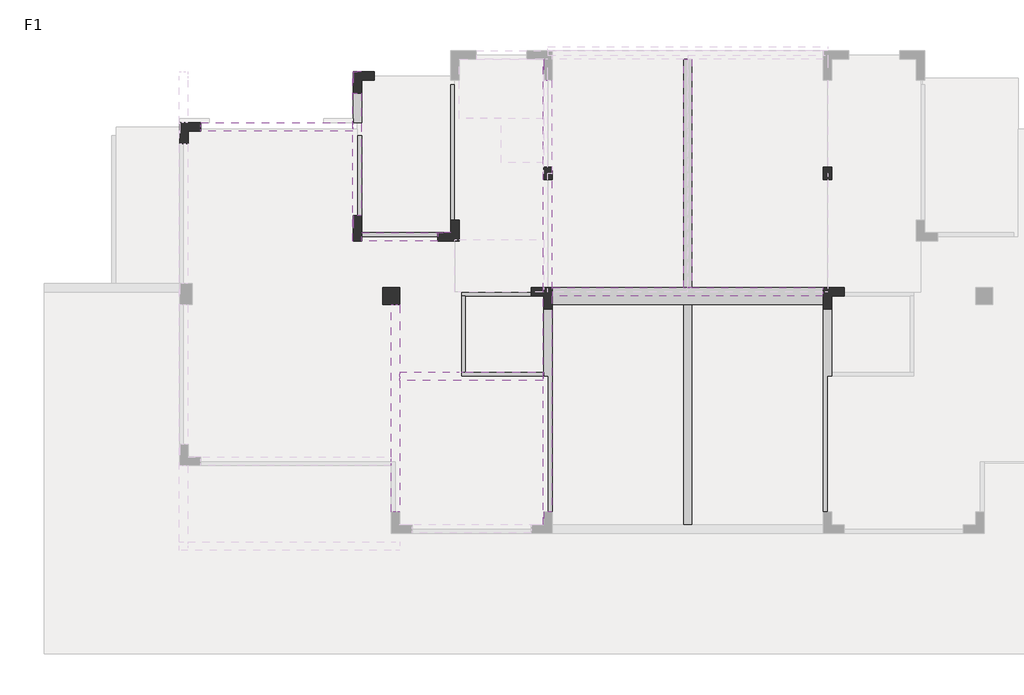
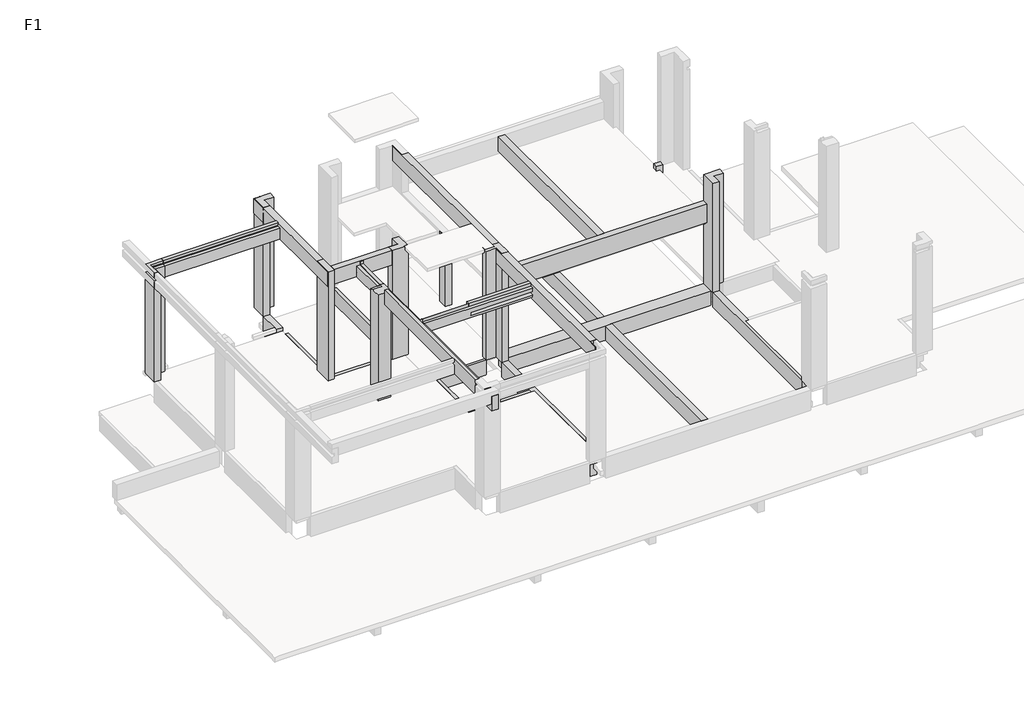
# One storey, part 3 of 4: 18 beams, 9 columns.
"""IFC4 building model written with IfcOpenShell, lengths in millimetres."""

from ifc_helpers import new_model, si_unit, frame, origin, place, context, project, spatial, polyline, outline, extrude, faceted_brep, element, save

model = new_model("IFC4")

# Units and contexts
model_context = context("Model", 3, world=origin())
ifc_project = project(units=[si_unit("LENGTHUNIT", "METRE", prefix="MILLI")], contexts=[model_context])

# Site, building, storey
site = spatial("IfcSite", under=ifc_project)
building = spatial("IfcBuilding", under=site)
storey = spatial("IfcBuildingStorey", under=building, Name="F1", Elevation=-40.0)

# Beams
placement = place(None, origin())
element("IfcBeam", 1, at=placement, inside=storey, context=model_context, shape_type="Brep", body=[
    faceted_brep([(-7367.9488808, 3551.1929483, -40.0), (-7567.9488808, 3551.1929483, -40.0), (-7567.9488808, 2051.187898, -40.0), (-7567.9488808, 1951.187898, -40.0), (-7467.9488808, 1951.187898, -40.0), (-7467.9488808, -1248.812102, -40.0), (-7367.9488808, -1248.812102, -40.0), (-7367.9488808, -1248.812102, -520.0), (-7367.9488808, 3551.1929483, -520.0), (-7567.9488808, 3551.1929483, -890.0), (-7367.9488808, 3551.1929483, -890.0), (-7367.9488808, -1248.812102, -890.0), (-7567.9488808, -1248.812102, -890.0), (-7567.9488808, -1248.812102, -190.0), (-7567.9488808, 1851.187898, -190.0), (-7567.9488808, 1951.187898, -190.0), (-7567.9488808, 3551.1929483, -520.0), (-7567.9488808, 2051.187898, -520.0), (-7567.9488808, 1951.187898, -520.0), (-7567.9488808, 1951.187898, -640.0), (-7567.9488808, 1951.187898, -670.0), (-7567.9488808, 3551.1929483, -670.0), (-7367.9488808, -1248.812102, -670.0), (-7468.0210684, -1248.812102, -670.0), (-7468.0210684, -1248.812102, -520.0), (-7467.9488808, -1248.812102, -190.0), (-7367.9488808, 3551.1929483, -670.0), (-7467.9488808, 1951.187898, -670.0), (-7468.0210684, 1951.187898, -520.0), (-7467.9488808, 1951.187898, -190.0)], [[[0, 1, 2, 3, 4, 5, 6]], [[0, 6, 7, 8]], [[9, 10, 11, 12]], [[9, 12, 13, 14, 15, 3, 2, 1, 16, 17, 18, 19, 20, 21]], [[1, 0, 8, 16]], [[12, 11, 22, 23, 24, 7, 6, 5, 25, 13]], [[22, 26, 21, 20, 27, 23]], [[8, 7, 24, 28, 18, 17, 16]], [[24, 23, 27, 28]], [[11, 10, 26, 22]], [[27, 20, 19, 18, 28]], [[10, 9, 21, 26]], [[25, 29, 15, 14, 13]], [[29, 4, 3, 15]], [[4, 29, 25, 5]]]),
])
element("IfcBeam", 2, at=placement, inside=storey, context=model_context, shape_type="Brep", body=[
    faceted_brep([(-9517.9507841, 3851.187898, -40.0), (-9417.9507841, 3851.187898, -40.0), (-7867.9118706, 3851.187898, -40.0), (-7867.9118706, 3951.187898, -40.0), (-9517.9507841, 3951.187898, -40.0), (-7867.9118706, 3851.187898, -520.0), (-9517.9507841, 3851.187898, -190.0), (-9617.9507841, 3851.187898, -190.0), (-10967.9488808, 3851.187898, -190.0), (-10967.9488808, 3851.187898, -640.0), (-9617.9507841, 3851.187898, -640.0), (-9517.9507841, 3851.187898, -640.0), (-9517.9507841, 3851.187898, -520.0), (-9417.9507841, 3851.187898, -520.0), (-10967.9488808, 4051.187898, -640.0), (-9767.9488808, 4051.187898, -640.0), (-9567.9488808, 4051.187898, -640.0), (-7867.9118706, 4051.187898, -640.0), (-7867.9118706, 3951.187898, -640.0), (-9517.9507841, 3951.187898, -640.0), (-10967.9488808, 4051.187898, -190.0), (-9767.9488808, 4051.187898, -190.0), (-9667.9488808, 4051.187898, -190.0), (-9667.9488808, 4051.187898, -140.0), (-9567.9488808, 4051.187898, -140.0), (-7867.9118706, 4051.187898, -140.0), (-7867.9118706, 3951.187898, -520.0), (-7867.9118706, 3951.187898, -140.0), (-9517.9507841, 3951.187898, -520.0), (-9517.9507841, 3951.187898, -140.0), (-9517.9507841, 3951.187898, -190.0), (-9667.9488808, 3951.187898, -190.0), (-9667.9488808, 3951.187898, -140.0)], [[[0, 1, 2, 3, 4]], [[5, 2, 1, 0, 6, 7, 8, 9, 10, 11, 12, 13]], [[9, 14, 15, 16, 17, 18, 19, 11, 10]], [[17, 16, 15, 14, 20, 21, 22, 23, 24, 25]], [[2, 5, 26, 18, 17, 25, 27, 3]], [[14, 9, 8, 20]], [[12, 28, 26, 5, 13]], [[28, 12, 11, 19]], [[26, 28, 19, 18]], [[6, 0, 4, 29, 30]], [[6, 30, 31, 22, 21, 20, 8, 7]], [[22, 31, 32, 23]], [[31, 30, 29, 32]], [[29, 27, 25, 24, 23, 32]], [[27, 29, 4, 3]]]),
])
element("IfcBeam", 3, at=placement, inside=storey, context=model_context, shape_type="Brep", body=[
    faceted_brep([(-7367.9118706, 4051.187898, -40.0), (-7367.9118706, 3801.1929483, -40.0), (-7367.9118706, 3651.187898, -40.0), (-4267.9488808, 3651.187898, -40.0), (-4067.9488808, 3651.187898, -40.0), (-967.985891, 3651.187898, -40.0), (-967.985891, 3801.1929483, -40.0), (-967.985891, 4051.187898, -40.0), (-4067.9488808, 4051.187898, -40.0), (-4267.9488808, 4051.187898, -40.0), (-7367.9118706, 3651.187898, -520.0), (-4267.9488808, 3651.187898, -520.0), (-4067.9488808, 3651.187898, -520.0), (-967.985891, 3651.187898, -520.0), (-967.985891, 4051.187898, -520.0), (-4067.9488808, 4051.187898, -520.0), (-4267.9488808, 4051.187898, -520.0), (-7367.9118706, 4051.187898, -520.0), (-967.985891, 3801.1929483, -520.0)], [[[0, 1, 2, 3, 4, 5, 6, 7, 8, 9]], [[5, 4, 3, 2, 10, 11, 12, 13]], [[0, 9, 8, 7, 14, 15, 16, 17]], [[2, 1, 0, 17, 10]], [[7, 6, 5, 13, 18, 14]], [[13, 12, 11, 10, 17, 16, 15, 14, 18]]]),
    faceted_brep([(-7367.9118706, 3651.187898, -740.0), (-7367.9118706, 4051.187898, -740.0), (-967.985891, 4051.187898, -740.0), (-967.985891, 3651.187898, -740.0), (-7367.9118706, 3651.187898, -670.0), (-967.985891, 3651.187898, -670.0), (-967.985891, 3801.1929483, -670.0), (-967.985891, 4051.187898, -670.0), (-7367.9118706, 4051.187898, -670.0)], [[[0, 1, 2, 3]], [[4, 5, 6, 7, 8]], [[0, 3, 5, 4]], [[2, 1, 8, 7]], [[1, 0, 4, 8]], [[3, 2, 7, 6, 5]]]),
])
element("IfcBeam", 4, at=placement, inside=storey, context=model_context, shape_type="Brep", body=[
    faceted_brep([(-11867.9488808, 8651.1979011, -40.0), (-12067.9488808, 8651.1979011, -40.0), (-12067.9488808, 8051.192951, -40.0), (-12067.9488808, 7951.192951, -40.0), (-11867.9488808, 7951.192951, -40.0), (-11867.9488808, 8651.1979011, -520.0), (-11867.9488808, 7951.192951, -520.0), (-12067.9488808, 8651.1979011, -640.0), (-11967.9488808, 8651.1979011, -640.0), (-11967.9488808, 7951.192951, -640.0), (-12067.9488808, 7951.192951, -640.0), (-12067.9488808, 7951.192951, -140.0), (-11967.9488808, 8651.1979011, -520.0), (-11967.9488808, 7951.192951, -520.0)], [[[0, 1, 2, 3, 4]], [[5, 0, 4, 6]], [[7, 8, 9, 10]], [[1, 7, 10, 11, 3, 2]], [[1, 0, 5, 12, 8, 7]], [[4, 3, 11, 10, 9, 13, 6]], [[12, 5, 6, 13]], [[8, 12, 13, 9]]]),
    faceted_brep([(-11867.9488808, 5751.187898, -520.0), (-11867.9488808, 5751.187898, -40.0), (-11967.9488808, 5751.187898, -40.0), (-11967.9488808, 5751.187898, -190.0), (-12067.9488808, 5751.187898, -190.0), (-12067.9488808, 5751.187898, -640.0), (-11967.9488808, 5751.187898, -640.0), (-11967.9488808, 5751.187898, -520.0), (-11967.9488808, 7651.192951, -520.0), (-11867.9488808, 7651.192951, -520.0), (-11967.9488808, 7651.192951, -640.0), (-11967.9488808, 7651.192951, -40.0), (-11967.9488808, 7651.192951, -190.0), (-12067.9488808, 7651.192951, -190.0), (-11867.9488808, 7651.192951, -40.0), (-12067.9488808, 7651.192951, -640.0)], [[[0, 1, 2, 3, 4, 5, 6, 7]], [[0, 7, 8, 9]], [[7, 6, 10, 8]], [[3, 2, 11, 12]], [[4, 3, 12, 13]], [[11, 14, 9, 8, 10, 15, 13, 12]], [[2, 1, 14, 11]], [[1, 0, 9, 14]], [[6, 5, 15, 10]], [[5, 4, 13, 15]]]),
])
element("IfcBeam", 5, at=placement, inside=storey, context=model_context, shape_type="Brep", body=[
    faceted_brep([(-10067.9488808, 5351.187898, -40.0), (-11867.9488808, 5351.187898, -40.0), (-11867.9488808, 5251.187898, -40.0), (-10067.9488808, 5251.187898, -40.0), (-11867.9488808, 5151.187898, -640.0), (-11167.9488808, 5151.187898, -640.0), (-10967.9488808, 5151.187898, -640.0), (-10067.9488808, 5151.187898, -640.0), (-10067.9488808, 5151.187898, -190.0), (-10967.9488808, 5151.187898, -190.0), (-11167.9488808, 5151.187898, -190.0), (-11867.9488808, 5151.187898, -190.0), (-11867.9488808, 5251.187898, -640.0), (-11167.9488808, 5251.187898, -640.0), (-10967.9488808, 5251.187898, -640.0), (-10067.9488808, 5251.187898, -640.0), (-10067.9488808, 5351.187898, -520.0), (-11867.9488808, 5351.187898, -520.0), (-11867.9488808, 5251.187898, -190.0), (-11867.9488808, 5251.187898, -520.0), (-10067.9488808, 5251.187898, -520.0), (-10067.9488808, 5251.187898, -190.0)], [[[0, 1, 2, 3]], [[4, 5, 6, 7, 8, 9, 10, 11]], [[7, 6, 5, 4, 12, 13, 14, 15]], [[1, 0, 16, 17]], [[12, 4, 11, 18, 2, 1, 17, 19]], [[7, 15, 20, 16, 0, 3, 21, 8]], [[20, 19, 17, 16]], [[19, 20, 15, 14, 13, 12]], [[18, 21, 3, 2]], [[21, 18, 11, 10, 9, 8]]]),
])
element("IfcBeam", 6, at=placement, inside=storey, context=model_context, shape_type="SweptSolid", body=[
    extrude(outline(polyline([(-640.0, -9767.9488808), (-640.0, -9567.9488808), (-140.0, -9567.9488808), (-140.0, -9667.9488808), (-190.0, -9667.9488808), (-190.0, -9767.9488808), (-640.0, -9767.9488808)])), frame((0.0, 4051.187898, 0.0), z_axis=(0.0, 1.0, 0.0), x_axis=(0.0, 0.0, 1.0)), (0.0, 0.0, 1.0), 1100.0),
    extrude(outline(polyline([(-40.0, -9767.9488808), (-520.0, -9767.9488808), (-520.0, -9667.9488808), (-640.0, -9667.9488808), (-640.0, -9567.9488808), (-140.0, -9567.9488808), (-140.0, -9667.9488808), (-40.0, -9667.9488808), (-40.0, -9767.9488808)])), frame((0.0, 5651.187898, 0.0), z_axis=(0.0, 1.0, 0.0), x_axis=(0.0, 0.0, 1.0)), (0.0, 0.0, 1.0), 3200.0100033),
])
element("IfcBeam", 7, at=placement, inside=storey, context=model_context, shape_type="Brep", body=[
    faceted_brep([(-7567.9488808, 1951.187898, -40.0), (-7567.9488808, 2051.187898, -40.0), (-9417.9507841, 2051.187898, -40.0), (-9517.9507841, 2051.187898, -40.0), (-9517.9507841, 1951.187898, -40.0), (-10967.9488808, 1851.187898, -640.0), (-7567.9488808, 1851.187898, -640.0), (-7567.9488808, 1851.187898, -190.0), (-10967.9488808, 1851.187898, -190.0), (-10967.9488808, 2051.187898, -640.0), (-9617.9507841, 2051.187898, -640.0), (-9517.9507841, 2051.187898, -640.0), (-9517.9507841, 1951.187898, -640.0), (-7567.9488808, 1951.187898, -640.0), (-7567.9488808, 2051.187898, -520.0), (-9417.9507841, 2051.187898, -520.0), (-9517.9507841, 2051.187898, -520.0), (-10967.9488808, 2051.187898, -190.0), (-9617.9507841, 2051.187898, -190.0), (-9517.9507841, 2051.187898, -190.0), (-7567.9488808, 1951.187898, -520.0), (-7567.9488808, 1951.187898, -190.0), (-9517.9507841, 1951.187898, -520.0), (-9517.9507841, 1951.187898, -190.0)], [[[0, 1, 2, 3, 4]], [[5, 6, 7, 8]], [[5, 9, 10, 11, 12, 13, 6]], [[1, 14, 15, 16, 11, 10, 9, 17, 18, 19, 3, 2]], [[9, 5, 8, 17]], [[6, 13, 20, 14, 1, 0, 21, 7]], [[20, 22, 16, 15, 14]], [[22, 20, 13, 12]], [[16, 22, 12, 11]], [[23, 4, 3, 19]], [[4, 23, 21, 0]], [[21, 23, 19, 18, 17, 8, 7]]]),
])
element("IfcBeam", 8, at=placement, inside=storey, context=model_context, shape_type="SweptSolid", body=[
    extrude(outline(polyline([(-520.0, -9417.9507841), (-40.0, -9417.9507841), (-40.0, -9517.9507841), (-190.0, -9517.9507841), (-190.0, -9617.9507841), (-640.0, -9617.9507841), (-640.0, -9517.9507841), (-520.0, -9517.9507841), (-520.0, -9417.9507841)])), frame((0.0, 2051.187898, 0.0), z_axis=(0.0, 1.0, 0.0), x_axis=(0.0, 0.0, 1.0)), (0.0, 0.0, 1.0), 1800.0),
])
element("IfcBeam", 9, at=placement, inside=storey, context=model_context, shape_type="SweptSolid", body=[
    extrude(outline(polyline([(-4067.9488808, 4051.187898), (-4267.9488808, 4051.187898), (-4267.9488808, 9451.1929646), (-4067.9488808, 9451.1929646), (-4067.9488808, 4051.187898)])), frame((0.0, 0.0, -520.0), z_axis=(0.0, 0.0, 1.0), x_axis=(1.0, 0.0, 0.0)), (0.0, 0.0, 1.0), 480.0),
    extrude(outline(polyline([(-4267.9488808, 3651.187898), (-4067.9488808, 3651.187898), (-4067.9488808, -1548.8070515), (-4267.9488808, -1548.8070515), (-4267.9488808, 3651.187898)])), frame((0.0, 0.0, -520.0), z_axis=(0.0, 0.0, 1.0), x_axis=(1.0, 0.0, 0.0)), (0.0, 0.0, 1.0), 480.0),
])
element("IfcBeam", 10, at=placement, inside=storey, context=model_context, shape_type="Brep", body=[
    faceted_brep([(-967.9488808, 3551.1929483, -40.0), (-967.9488808, -1248.812102, -40.0), (-868.0210684, -1248.812102, -40.0), (-868.0210684, 1951.187898, -40.0), (-767.9488808, 1951.187898, -40.0), (-767.9488808, 2051.187898, -40.0), (-767.9488808, 3551.1929483, -40.0), (-967.9488808, 3551.1929483, -520.0), (-967.9488808, -1248.812102, -520.0), (-767.9488808, -1248.812102, -890.0), (-967.9488808, -1248.812102, -890.0), (-967.9488808, 3551.1929483, -890.0), (-767.9488808, 3551.1929483, -890.0), (-767.9488808, 3551.1929483, -670.0), (-767.9488808, 1951.187898, -670.0), (-767.9488808, 1951.187898, -640.0), (-767.9488808, 1951.187898, -520.0), (-767.9488808, 2051.187898, -520.0), (-767.9488808, 3551.1929483, -520.0), (-767.9488808, 1951.187898, -190.0), (-767.9488808, 1851.187898, -190.0), (-767.9488808, -1248.812102, -190.0), (-868.0210684, -1248.812102, -190.0), (-867.9488808, -1248.812102, -520.0), (-867.9488808, -1248.812102, -670.0), (-967.9488808, -1248.812102, -670.0), (-967.9488808, 3551.1929483, -670.0), (-867.9488808, 1951.187898, -670.0), (-867.9488808, 1951.187898, -520.0), (-868.0210684, 1951.187898, -190.0)], [[[0, 1, 2, 3, 4, 5, 6]], [[1, 0, 7, 8]], [[9, 10, 11, 12]], [[9, 12, 13, 14, 15, 16, 17, 18, 6, 5, 4, 19, 20, 21]], [[10, 9, 21, 22, 2, 1, 8, 23, 24, 25]], [[0, 6, 18, 7]], [[26, 25, 24, 27, 14, 13]], [[8, 7, 18, 17, 16, 28, 23]], [[24, 23, 28, 27]], [[11, 10, 25, 26]], [[14, 27, 28, 16, 15]], [[12, 11, 26, 13]], [[19, 29, 22, 21, 20]], [[3, 29, 19, 4]], [[29, 3, 2, 22]]]),
])
element("IfcBeam", 11, at=placement, inside=storey, context=model_context, shape_type="Brep", body=[
    faceted_brep([(-7567.9488808, -1248.812102, 3560.0), (-7376.6077811, -1248.812102, 3560.0), (-7376.6077811, 8951.187898, 3560.0), (-7568.0210684, 8951.187898, 3560.0), (-7568.0210684, 9451.187898, 3560.0), (-7576.6077811, 9451.187898, 3560.0), (-7576.6077811, 5191.187898, 3560.0), (-7568.0210684, 5191.187898, 3560.0), (-7568.0210684, 3951.187898, 3560.0), (-7576.6077811, 3951.187898, 3560.0), (-7576.6077811, -1541.2496913, 3560.0), (-7567.9488808, -1541.2496913, 3560.0), (-7376.6077811, -1248.812102, 3080.0), (-7376.6077811, 8951.187898, 3080.0), (-7567.9488808, -1248.812102, 3080.0), (-7567.9488808, -1541.2496913, 3080.0), (-7576.6077811, -1541.2496913, 3080.0), (-7576.6077811, 9451.187898, 3080.0), (-7568.0210684, 9451.187898, 3080.0), (-7568.0210684, 8951.187898, 3080.0), (-7576.6077811, 3951.187898, 3460.0), (-7576.6077811, 5191.187898, 3460.0), (-7568.0210684, 3951.187898, 3460.0), (-7568.0210684, 5191.187898, 3460.0)], [[[0, 1, 2, 3, 4, 5, 6, 7, 8, 9, 10, 11]], [[1, 12, 13, 2]], [[12, 14, 15, 16, 17, 18, 19, 13]], [[16, 10, 9, 20, 21, 6, 5, 17]], [[10, 16, 15, 11]], [[0, 14, 12, 1]], [[14, 0, 11, 15]], [[4, 18, 17, 5]], [[18, 4, 3, 19]], [[19, 3, 2, 13]], [[22, 23, 21, 20]], [[23, 7, 6, 21]], [[23, 22, 8, 7]], [[8, 22, 20, 9]]]),
])
element("IfcBeam", 12, at=placement, inside=storey, context=model_context, shape_type="Brep", body=[
    faceted_brep([(-7576.6077811, 1954.966578, 3560.0), (-7576.6077811, 2058.7503086, 3560.0), (-9417.9507841, 2058.7503086, 3560.0), (-9517.9507841, 2058.7503086, 3560.0), (-9517.9507841, 1959.2477834, 3560.0), (-10967.9863851, 1959.2477834, 3560.0), (-10967.9863851, 1954.966578, 3560.0), (-10967.9863851, 1858.7503086, 3160.0), (-7576.6077811, 1858.7503086, 3160.0), (-7576.6077811, 1858.7503086, 3230.0), (-9517.9507841, 1858.7503086, 3230.0), (-9517.9507841, 1858.7503086, 3330.0), (-7576.6077811, 1858.7503086, 3330.0), (-7576.6077811, 1858.7503086, 3460.0), (-10967.9863851, 1858.7503086, 3460.0), (-10967.9863851, 2058.7503086, 3160.0), (-9617.9507841, 2058.7503086, 3160.0), (-9417.9507841, 2058.7503086, 3160.0), (-7576.6077811, 2058.7503086, 3160.0), (-10967.9863851, 2058.7503086, 3460.0), (-9617.9507841, 2058.7503086, 3460.0), (-9517.9507841, 2058.7503086, 3460.0), (-7576.6077811, 2058.7503086, 3330.0), (-9417.9507841, 2058.7503086, 3330.0), (-9517.9507841, 2058.7503086, 3330.0), (-9517.9507841, 2058.7503086, 3230.0), (-9417.9507841, 2058.7503086, 3230.0), (-7576.6077811, 2058.7503086, 3230.0), (-10967.9863851, 1954.966578, 3460.0), (-10967.9863851, 1959.2477834, 3460.0), (-7576.6077811, 1954.966578, 3460.0), (-9517.9507841, 1959.2477834, 3460.0)], [[[0, 1, 2, 3, 4, 5, 6]], [[7, 8, 9, 10, 11, 12, 13, 14]], [[7, 15, 16, 17, 18, 8]], [[18, 17, 16, 15, 19, 20, 21, 3, 2, 1, 22, 23, 24, 25, 26, 27]], [[15, 7, 14, 28, 6, 5, 29, 19]], [[8, 18, 27, 9]], [[27, 26, 25, 10, 9]], [[24, 23, 22, 12, 11]], [[25, 24, 11, 10]], [[30, 28, 14, 13]], [[28, 30, 0, 6]], [[29, 31, 21, 20, 19]], [[31, 4, 3, 21]], [[4, 31, 29, 5]], [[22, 1, 0, 30, 13, 12]]]),
])
element("IfcBeam", 13, at=placement, inside=storey, context=model_context, shape_type="Brep", body=[
    faceted_brep([(-980.8203823, 4058.7452581, 2700.0), (-980.8203823, 3858.7452581, 2700.0), (-980.8203823, 3858.7452581, 2100.0), (-980.8203823, 3951.187898, 2100.0), (-980.8203823, 3951.187898, 2130.0), (-980.8203823, 4058.7452581, 2130.0), (-7354.4203823, 4058.7452581, 2700.0), (-7354.4203823, 4058.7452581, 2100.0), (-7354.4203823, 3858.7452581, 2100.0), (-7354.4203823, 3858.7452581, 2700.0), (-4067.9488808, 4058.7452581, 2700.0), (-4267.9488808, 4058.7452581, 2700.0), (-4167.9488808, 4058.7452581, 2100.0), (-4167.9488808, 3951.187898, 2100.0), (-4167.9488808, 4058.7452581, 2130.0), (-4167.9488808, 3951.187898, 2130.0)], [[[0, 1, 2, 3, 4, 5]], [[6, 7, 8, 9]], [[1, 0, 10, 11, 6, 9]], [[2, 1, 9, 8]], [[8, 7, 12, 13, 3, 2]], [[7, 6, 11, 10, 0, 5, 14, 12]], [[4, 15, 14, 5]], [[14, 15, 13, 12]], [[15, 4, 3, 13]]]),
])
element("IfcBeam", 14, at=placement, inside=storey, context=model_context, shape_type="SweptSolid", body=[
    extrude(outline(polyline([(-4267.9488808, 9451.9441425), (-4067.9488808, 9451.9441425), (-4067.9488808, 4058.7452581), (-4267.9488808, 4058.7452581), (-4267.9488808, 9451.9441425)])), frame((0.0, 0.0, 2220.0), z_axis=(0.0, 0.0, 1.0), x_axis=(1.0, 0.0, 0.0)), (0.0, 0.0, 1.0), 480.0),
])
element("IfcBeam", 15, ObjectType="KL10 200 x 480 mm", at=placement, inside=storey, context=model_context, shape_type="Brep", body=[
    faceted_brep([(-10967.9863851, 5158.7503099, 3560.0), (-11067.9488808, 5158.7503099, 3560.0), (-11067.9488808, 5151.1928559, 3560.0), (-10967.9863851, 5151.1928559, 3560.0), (-10967.9863851, 5151.1928559, 3460.0), (-10967.9863851, 4058.7452581, 3460.0), (-10967.9863851, 4051.1929485, 3460.0), (-10967.9863851, 4051.1929485, 3080.0), (-10967.9863851, 4058.7452581, 3080.0), (-10967.9863851, 5158.7503099, 3080.0), (-10967.9863851, 5158.7503099, 3230.0), (-10967.9863851, 5151.1928559, 3230.0), (-10967.9863851, 5151.1928559, 3330.0), (-10967.9863851, 5158.7503099, 3330.0), (-11167.9863851, 5158.7503099, 3080.0), (-11167.9863851, 4051.1929485, 3080.0), (-11167.9863851, 4058.7452581, 3080.0), (-11167.9863851, 4051.1929485, 3440.0), (-11167.9863851, 4058.7452581, 3440.0), (-11167.9863851, 5158.7503099, 3440.0), (-11167.9863851, 5158.7503099, 3330.0), (-11167.9863851, 5151.1928559, 3330.0), (-11167.9863851, 5151.1928559, 3230.0), (-11167.9863851, 5158.7503099, 3230.0), (-11067.9488808, 5158.7503099, 3440.0), (-11067.9488808, 4051.1929485, 3460.0), (-11067.9488808, 4051.1929485, 3440.0), (-11067.9488808, 5151.1928559, 3460.0)], [[[0, 1, 2, 3]], [[4, 5, 6, 7, 8, 9, 10, 11, 12, 13, 0, 3]], [[14, 9, 8, 7, 15, 16]], [[14, 16, 15, 17, 18, 19, 20, 21, 22, 23]], [[19, 24, 1, 0, 13, 20]], [[15, 7, 6, 25, 26, 17]], [[19, 18, 17, 26, 24]], [[24, 26, 25, 27, 2, 1]], [[6, 5, 4, 27, 25]], [[27, 4, 3, 2]], [[22, 11, 10, 23]], [[12, 21, 20, 13]], [[11, 22, 21, 12]], [[9, 14, 23, 10]]]),
    faceted_brep([(-10967.9863851, -2148.3046203, 3560.0), (-11167.9863851, -2148.3046203, 3560.0), (-11167.9863851, -2148.3046203, 3300.0), (-11167.9863851, -2148.3046203, 3080.0), (-10967.9863851, -2148.3046203, 3080.0), (-11167.9863851, -1748.8070515, 3560.0), (-10967.9863851, -1748.8070515, 3560.0), (-10967.9863851, -1748.8070515, 3410.0), (-11067.9488808, -1748.8070515, 3410.0), (-11067.9488808, -1748.8070515, 3380.0), (-11067.9488808, -1748.8070515, 3300.0), (-10967.9863851, -1748.8070515, 3300.0), (-10967.9863851, -1748.8070515, 3080.0), (-11167.9863851, -1748.8070515, 3080.0), (-10967.9863851, -1948.3046203, 3560.0), (-11167.9863851, -1948.3046203, 3560.0), (-10967.9863851, -2148.0557597, 3300.0), (-10967.9863851, -2148.0557597, 3410.0), (-11067.9488808, -2148.0557597, 3410.0), (-11067.9488808, -2148.0557597, 3300.0)], [[[0, 1, 2, 3, 4]], [[5, 6, 7, 8, 9, 10, 11, 12, 13]], [[1, 0, 14, 6, 5, 15]], [[0, 4, 12, 11, 16, 17, 7, 6, 14]], [[4, 3, 13, 12]], [[3, 2, 1, 15, 5, 13]], [[17, 18, 8, 7]], [[19, 18, 17, 16]], [[18, 19, 10, 9, 8]], [[10, 19, 16, 11]]]),
    faceted_brep([(-11167.9863851, -1248.8070515, 3080.0), (-10967.9863851, -1248.8070515, 3080.0), (-10967.9863851, -1248.8070515, 3460.0), (-11067.9488808, -1248.8070515, 3460.0), (-11067.9488808, -1248.8070515, 3560.0), (-11167.9863851, -1248.8070515, 3560.0), (-10967.9863851, 3651.1929485, 3080.0), (-11167.9863851, 3651.1929485, 3080.0), (-11167.9863851, 3651.1929485, 3560.0), (-11067.9488808, 3651.1929485, 3560.0), (-11067.9488808, 3651.1929485, 3460.0), (-10967.9863851, 3651.1929485, 3460.0), (-11167.9863851, -141.2496914, 3560.0), (-11167.9863851, -48.812102, 3560.0), (-11167.9863851, 58.7503086, 3080.0), (-11167.9863851, -141.2496914, 3080.0), (-11067.9488808, 1954.966578, 3460.0), (-10967.9863851, 1858.7503086, 3460.0), (-10967.9863851, 1954.966578, 3460.0), (-11067.9488808, 1954.966578, 3560.0), (-10967.9863851, 1954.966578, 3560.0), (-11067.9488808, 1959.2477834, 3460.0), (-10967.9863851, 1959.2477834, 3460.0), (-10967.9863851, 2058.7503086, 3460.0), (-11067.9488808, 1959.2477834, 3560.0), (-10967.9863851, 1959.2477834, 3560.0)], [[[0, 1, 2, 3, 4, 5]], [[6, 7, 8, 9, 10, 11]], [[0, 5, 12, 13, 8, 7, 14, 15]], [[16, 3, 2, 17, 18]], [[16, 19, 4, 3]], [[19, 16, 18, 20]], [[10, 21, 22, 23, 11]], [[21, 24, 25, 22]], [[24, 21, 10, 9]], [[8, 13, 12, 5, 4, 19, 20, 25, 24, 9]], [[1, 6, 11, 23, 22, 25, 20, 18, 17, 2]], [[1, 0, 15, 14, 7, 6]]]),
])
element("IfcBeam", 16, ObjectType="KL11 200 x 480 mm", at=placement, inside=storey, context=model_context, shape_type="SweptSolid", body=[
    extrude(outline(polyline([(-12067.9488808, 8651.1979011), (-11872.1863676, 8651.1979011), (-11872.1863676, 5751.187898), (-12067.9488808, 5751.187898), (-12067.9488808, 5158.7503099), (-12072.1863676, 5158.7503099), (-12072.1863676, 9158.7552613), (-11872.1863676, 9158.7552613), (-11872.1863676, 9151.1979011), (-12067.9488808, 9151.1979011), (-12067.9488808, 8651.1979011)])), frame((0.0, 0.0, 3080.0), z_axis=(0.0, 0.0, 1.0), x_axis=(1.0, 0.0, 0.0)), (0.0, 0.0, 1.0), 480.0),
])
element("IfcBeam", 17, ObjectType="KL4 200 x 480 mm", at=placement, inside=storey, context=model_context, shape_type="SweptSolid", body=[
    extrude(outline(polyline([(-15667.9082317, 7951.187898), (-12072.1863676, 7951.187898), (-12072.1863676, 7851.187898), (-15667.9082317, 7851.187898), (-15667.9082317, 7951.187898)])), frame((0.0, 0.0, 3480.0), z_axis=(0.0, 0.0, 1.0), x_axis=(1.0, 0.0, 0.0)), (0.0, 0.0, 1.0), 80.0),
    extrude(outline(polyline([(7951.187898, 3080.0), (7751.187898, 3080.0), (7751.187898, 3440.0), (7851.187898, 3440.0), (7851.187898, 3380.0), (7951.187898, 3380.0), (7951.187898, 3080.0)])), frame((-15667.9082317, 0.0, 0.0), z_axis=(1.0, 0.0, 0.0), x_axis=(0.0, 1.0, 0.0)), (0.0, 0.0, 1.0), 3595.7218641),
])
element("IfcBeam", 18, ObjectType="KL5 200 x 480 mm", at=placement, inside=storey, context=model_context, shape_type="SweptSolid", body=[
    extrude(outline(polyline([(-10067.9488808, 5351.187898), (-10067.9488808, 5158.7503099), (-11867.9488808, 5158.7503099), (-11867.9488808, 5358.7503099), (-9767.9488808, 5358.7503099), (-9767.9488808, 5351.187898), (-10067.9488808, 5351.187898)])), frame((0.0, 0.0, 3080.0), z_axis=(0.0, 0.0, 1.0), x_axis=(1.0, 0.0, 0.0)), (0.0, 0.0, 1.0), 480.0),
])

# Columns
element("IfcColumn", 19, at=placement, inside=storey, context=model_context, shape_type="SweptSolid", body=[
    extrude(outline(polyline([(-7867.9118706, 4051.1929483), (-7367.9118706, 4051.1929483), (-7367.9118706, 3551.1929483), (-7567.9118706, 3551.1929483), (-7567.9118706, 3851.1929483), (-7867.9118706, 3851.1929483), (-7867.9118706, 4051.1929483)])), frame((0.0, 0.0, -40.0), z_axis=(0.0, 0.0, 1.0), x_axis=(1.0, 0.0, 0.0)), (0.0, 0.0, 1.0), 3600.0),
])
element("IfcColumn", 20, at=placement, inside=storey, context=model_context, shape_type="SweptSolid", body=[
    extrude(outline(polyline([(-467.985891, 4051.1929483), (-467.985891, 3851.1929483), (-767.985891, 3851.1929483), (-767.985891, 3551.1929483), (-967.985891, 3551.1929483), (-967.985891, 4051.1929483), (-467.985891, 4051.1929483)])), frame((0.0, 0.0, -40.0), z_axis=(0.0, 0.0, 1.0), x_axis=(1.0, 0.0, 0.0)), (0.0, 0.0, 1.0), 3600.0),
])
element("IfcColumn", 21, ObjectType="KZ-4", at=placement, inside=storey, context=model_context, shape_type="Brep", body=[
    faceted_brep([(-11567.9488808, 9151.1979011, -40.0), (-11567.9488808, 8951.1979011, -40.0), (-11867.9488808, 8951.1979011, -40.0), (-11867.9488808, 8651.1979011, -40.0), (-12067.9488808, 8651.1979011, -40.0), (-12067.9488808, 9151.1979011, -40.0), (-11567.9488808, 9151.1979011, 3560.0), (-11567.9488808, 8951.1979011, 3560.0), (-11867.9488808, 8951.1979011, 3560.0), (-11867.9488808, 8651.1979011, 3560.0), (-11867.9488808, 8651.1979011, 3330.0), (-11867.9488808, 8943.6404471, 3330.0), (-11867.9488808, 8943.6404471, 3230.0), (-11867.9488808, 8651.1979011, 3230.0), (-11967.9488808, 8651.1979011, 3230.0), (-11967.9488808, 8651.1979011, 3330.0), (-12067.9488808, 8651.1979011, 3560.0), (-12067.9488808, 8651.1979011, 3480.0), (-11972.1863676, 8651.1979011, 3480.0), (-11972.1863676, 8651.1979011, 3380.0), (-12067.9488808, 8651.1979011, 3380.0), (-12067.9488808, 9051.6953797, 3380.0), (-12067.9488808, 9051.6953797, 3480.0), (-12067.9488808, 9151.1979011, 3560.0), (-11972.1863676, 9051.6953797, 3380.0), (-11972.1863676, 9051.6953797, 3480.0), (-11967.9488808, 8943.6404471, 3230.0), (-11967.9488808, 8943.6404471, 3330.0)], [[[0, 1, 2, 3, 4, 5]], [[1, 0, 6, 7]], [[2, 1, 7, 8]], [[3, 2, 8, 9, 10, 11, 12, 13]], [[4, 3, 13, 14, 15, 10, 9, 16, 17, 18, 19, 20]], [[5, 4, 20, 21, 22, 17, 16, 23]], [[0, 5, 23, 6]], [[7, 6, 23, 16, 9, 8]], [[24, 21, 20, 19]], [[25, 18, 17, 22]], [[25, 24, 19, 18]], [[24, 25, 22, 21]], [[12, 26, 14, 13]], [[15, 27, 11, 10]], [[26, 27, 15, 14]], [[27, 26, 12, 11]]]),
])
element("IfcColumn", 22, ObjectType="KZ-4", at=placement, inside=storey, context=model_context, shape_type="Brep", body=[
    faceted_brep([(-15667.9082317, 7951.187898, -40.0), (-15667.9082317, 7751.187898, -40.0), (-15967.9082317, 7751.187898, -40.0), (-15967.9082317, 7451.187898, -40.0), (-16167.9082317, 7451.187898, -40.0), (-16167.9082317, 7951.187898, -40.0), (-15667.9082317, 7951.187898, 3480.0), (-15667.9082317, 7951.187898, 3560.0), (-15667.9082317, 7851.187898, 3560.0), (-15667.9082317, 7851.187898, 3480.0), (-15667.9082317, 7751.187898, 3440.0), (-15967.9082317, 7751.187898, 3440.0), (-15967.9082317, 7451.187898, 3440.0), (-15972.1845793, 7451.187898, 3440.0), (-16067.9488808, 7451.187898, 3440.0), (-16067.9488808, 7451.187898, 3560.0), (-16167.9082317, 7451.187898, 3560.0), (-16167.9082317, 7451.187898, 3410.0), (-16072.1845793, 7451.187898, 3410.0), (-16072.1845793, 7451.187898, 3300.0), (-16167.9082317, 7451.187898, 3300.0), (-16167.9082317, 7451.187898, 3080.0), (-16167.9082317, 7951.187898, 3560.0), (-16167.9082317, 7951.187898, 3410.0), (-16167.9082317, 7951.187898, 3080.0), (-16167.9082317, 7951.187898, 3300.0), (-16072.1845793, 7951.187898, 3300.0), (-16072.1845793, 7951.187898, 3410.0), (-15972.1845793, 7951.187898, 3560.0), (-15972.1845793, 7951.187898, 3480.0), (-16071.6854735, 7951.187898, 3480.0), (-16071.6854735, 7951.187898, 3380.0), (-15972.1845793, 7951.187898, 3380.0), (-15667.9082317, 7951.187898, 3380.0), (-16067.9488808, 7851.187898, 3560.0), (-16071.6854735, 7851.187898, 3380.0), (-15667.9082317, 7851.187898, 3380.0), (-16071.6854735, 7851.187898, 3480.0), (-16067.9488808, 7851.187898, 3480.0), (-16067.9488808, 7851.187898, 3440.0), (-15667.9082317, 7851.187898, 3440.0)], [[[0, 1, 2, 3, 4, 5]], [[6, 7, 8, 9]], [[2, 1, 10, 11]], [[3, 2, 11, 12]], [[4, 3, 12, 13, 14, 15, 16, 17, 18, 19, 20, 21]], [[16, 22, 23, 17]], [[0, 5, 24, 25, 26, 27, 23, 22, 28, 7, 6, 29, 30, 31, 32, 33]], [[22, 16, 15, 34, 8, 7, 28]], [[19, 26, 25, 20]], [[27, 18, 17, 23]], [[26, 19, 18, 27]], [[5, 4, 21, 20, 25, 24]], [[31, 35, 36, 33, 32]], [[37, 30, 29, 6, 9, 38]], [[35, 37, 38, 39, 40, 36]], [[37, 35, 31, 30]], [[39, 14, 13, 12, 11, 10, 40]], [[38, 34, 15, 14, 39]], [[34, 38, 9, 8]], [[1, 0, 33, 36, 40, 10]]]),
])
element("IfcColumn", 23, ObjectType="KZ-4", at=placement, inside=storey, context=model_context, shape_type="Brep", body=[
    faceted_brep([(-10067.9488808, 5151.187898, -40.0), (-10067.9488808, 5351.187898, -40.0), (-9767.9488808, 5351.187898, -40.0), (-9767.9488808, 5651.187898, -40.0), (-9567.9488808, 5651.187898, -40.0), (-9567.9488808, 5151.187898, -40.0), (-10067.9488808, 5151.187898, 3560.0), (-10067.9488808, 5351.187898, 3560.0), (-9767.9488808, 5351.187898, 3560.0), (-9767.9488808, 5651.187898, 3560.0), (-9567.9488808, 5651.187898, 3560.0), (-9567.9488808, 5191.187898, 3560.0), (-9567.9488808, 5191.187898, 3460.0), (-9567.9488808, 5151.187898, 3460.0), (-9667.9488808, 5151.187898, 3460.0), (-9667.9488808, 5151.187898, 3560.0), (-9667.9488808, 5191.187898, 3560.0), (-9667.9488808, 5191.187898, 3460.0)], [[[0, 1, 2, 3, 4, 5]], [[1, 0, 6, 7]], [[2, 1, 7, 8]], [[3, 2, 8, 9]], [[4, 3, 9, 10]], [[5, 4, 10, 11, 12, 13]], [[0, 5, 13, 14, 15, 6]], [[7, 6, 15, 16, 11, 10, 9, 8]], [[17, 14, 13, 12]], [[16, 17, 12, 11]], [[17, 16, 15, 14]]]),
])
element("IfcColumn", 24, ObjectType="KZ-6", at=placement, inside=storey, context=model_context, shape_type="Brep", body=[
    faceted_brep([(-11367.9488808, 4051.1929485, -40.0), (-10967.9488808, 4051.1929485, -40.0), (-10967.9488808, 3651.1929485, -40.0), (-11367.9488808, 3651.1929485, -40.0), (-11367.9488808, 4051.1929485, 3080.0), (-11367.9488808, 4051.1929485, 3440.0), (-11167.9863851, 4051.1929485, 3440.0), (-11067.9488808, 4051.1929485, 3440.0), (-11067.9488808, 4051.1929485, 3460.0), (-10967.9488808, 4051.1929485, 3460.0), (-10967.9488808, 3858.7452581, 3460.0), (-10967.9488808, 3651.1929485, 3460.0), (-11067.9488808, 3651.1929485, 3460.0), (-11367.9488808, 3651.1929485, 3460.0), (-11367.9488808, 3858.7452581, 3460.0), (-11367.9488808, 3958.7452581, 3460.0), (-11367.9488808, 3958.7452581, 3440.0), (-11067.9488808, 3958.7452581, 3440.0), (-11167.9863851, 3958.7452581, 3460.0), (-11067.9488808, 3958.7452581, 3460.0)], [[[0, 1, 2, 3]], [[1, 0, 4, 5, 6, 7, 8, 9]], [[2, 1, 9, 10, 11]], [[3, 2, 11, 12, 13]], [[0, 3, 13, 14, 15, 16, 5, 4]], [[16, 17, 7, 6, 5]], [[17, 16, 15, 18, 19]], [[7, 17, 19, 8]], [[15, 14, 13, 12, 11, 10, 9, 8, 19, 18]]]),
])
element("IfcColumn", 25, ObjectType="KZ-8", at=placement, inside=storey, context=model_context, shape_type="SweptSolid", body=[
    extrude(outline(polyline([(-11867.9488808, 5751.187898), (-11867.9488808, 5151.187898), (-12067.9488808, 5151.187898), (-12067.9488808, 5751.187898), (-11867.9488808, 5751.187898)])), frame((0.0, 0.0, -40.0), z_axis=(0.0, 0.0, 1.0), x_axis=(1.0, 0.0, 0.0)), (0.0, 0.0, 1.0), 3600.0),
])
element("IfcColumn", 26, ObjectType="LZ1", at=placement, inside=storey, context=model_context, shape_type="Brep", body=[
    faceted_brep([(-967.8766931, 6601.1640579, -40.0), (-967.8766931, 6901.1640579, -40.0), (-767.8766931, 6901.1640579, -40.0), (-767.8766931, 6601.1640579, -40.0), (-967.8766931, 6601.1640579, 2130.0), (-967.8766931, 6601.1640579, 2280.0), (-967.8766931, 6751.187898, 2280.0), (-967.8766931, 6751.187898, 2130.0), (-767.8766931, 6601.1640579, 2280.0), (-867.9488808, 6601.1640579, 2130.0), (-867.9488808, 6601.1640579, 2000.0), (-967.8766931, 6601.1640579, 2000.0), (-967.8766931, 6601.1640579, 1920.0), (-767.8766931, 6601.1640579, 1920.0), (-767.8766931, 6901.1640579, 1890.0), (-767.8766931, 6751.187898, 1890.0), (-767.8766931, 6751.187898, 1920.0), (-767.8766931, 6751.187898, 2280.0), (-967.8766931, 6901.1640579, 1890.0), (-867.9488808, 6751.187898, 2000.0), (-967.8766931, 6751.187898, 2000.0), (-867.9488808, 6751.187898, 2130.0), (-967.8766931, 6751.187898, 1920.0), (-967.8766931, 6751.187898, 1890.0)], [[[0, 1, 2, 3]], [[4, 5, 6, 7]], [[8, 5, 4, 9, 10, 11, 12, 0, 3, 13]], [[8, 13, 3, 2, 14, 15, 16, 17]], [[2, 1, 18, 14]], [[5, 8, 17, 6]], [[11, 10, 19, 20]], [[9, 4, 7, 21]], [[10, 9, 21, 19]], [[1, 0, 12, 11, 20, 22, 23, 18]], [[15, 23, 22, 20, 19, 21, 7, 6, 17, 16]], [[23, 15, 14, 18]]]),
])
element("IfcColumn", 27, ObjectType="LZ1", at=placement, inside=storey, context=model_context, shape_type="Brep", body=[
    faceted_brep([(-7368.0210684, 6901.1640579, -40.0), (-7368.0210684, 6601.1640579, -40.0), (-7568.0210684, 6601.1640579, -40.0), (-7568.0210684, 6901.1640579, -40.0), (-7368.0210684, 6901.1640579, 2280.0), (-7368.0210684, 6751.187898, 2280.0), (-7368.0210684, 6601.1640579, 2280.0), (-7368.0210684, 6601.1640579, 2130.0), (-7368.0210684, 6901.1640579, 2130.0), (-7568.0210684, 6601.1640579, 2280.0), (-7568.0210684, 6601.1640579, 1920.0), (-7368.0210684, 6601.1640579, 1920.0), (-7368.0210684, 6601.1640579, 2000.0), (-7467.9488808, 6601.1640579, 2000.0), (-7467.9488808, 6601.1640579, 2130.0), (-7568.0210684, 6751.187898, 2280.0), (-7568.0210684, 6901.1640579, 2280.0), (-7568.0210684, 6901.1640579, 1890.0), (-7467.9488808, 6901.1640579, 2130.0), (-7467.9488808, 6901.1640579, 2000.0), (-7368.0210684, 6901.1640579, 2000.0), (-7368.0210684, 6901.1640579, 1890.0)], [[[0, 1, 2, 3]], [[4, 5, 6, 7, 8]], [[6, 9, 10, 2, 1, 11, 12, 13, 14, 7]], [[9, 15, 16, 17, 3, 2, 10]], [[16, 4, 8, 18, 19, 20, 21, 0, 3, 17]], [[4, 16, 15, 9, 6, 5]], [[19, 13, 12, 20]], [[14, 18, 8, 7]], [[13, 19, 18, 14]], [[1, 0, 21, 20, 12, 11]]]),
])

save(model, "model.ifc")
